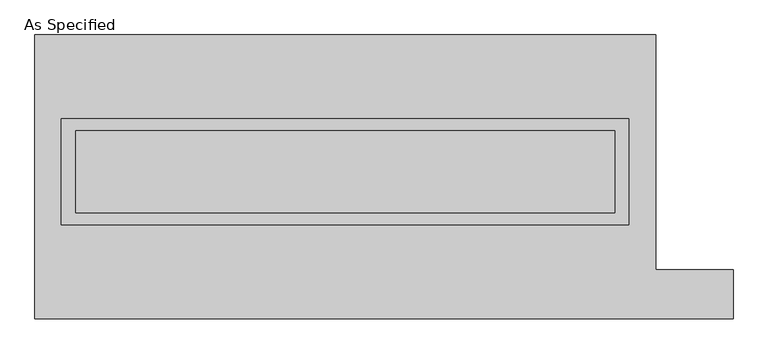
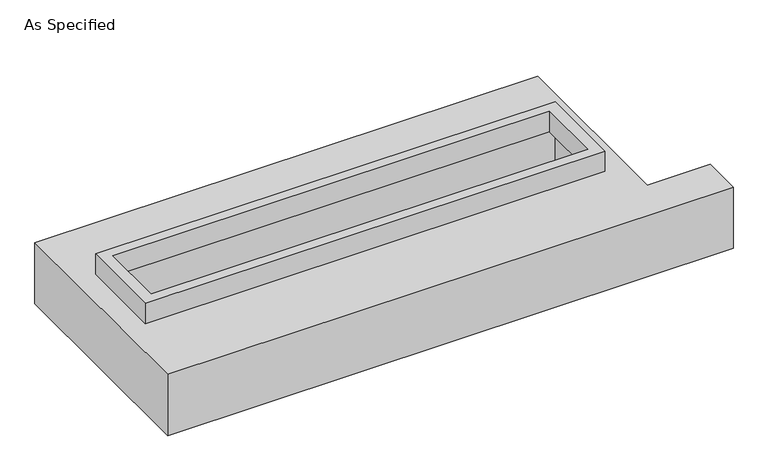
"""IFC4 building model written with IfcOpenShell, lengths in millimetres: proxy geometry, As Specified."""

from ifc_helpers import new_model, si_unit, frame, origin, place, context, project, spatial, polyline, outline, extrude, faceted_brep, source, transform, mapped, element, save


def as_specified_e90557bc(model_context):
    return source(origin(), model_context, "Body", "SolidModel", [
        extrude(outline(polyline([(1765.3, 361.95), (1765.3, -298.45), (-1765.3, -298.45), (-1765.3, 361.95), (1765.3, 361.95)]), holes=[polyline([(1676.4, 285.75), (-1676.4, 285.75), (-1676.4, -222.25), (1676.4, -222.25), (1676.4, 285.75)])]), frame((0.0, 0.0, -25.4), z_axis=(0.0, 0.0, 1.0), x_axis=(1.0, 0.0, 0.0)), (0.0, 0.0, 1.0), 165.1),
        faceted_brep([(-1930.4, 882.65, -523.875), (1930.4, 882.65, -523.875), (1930.4, -577.85, -523.875), (2413.0, -577.85, -523.875), (2413.0, -882.65, -523.875), (-1930.4, -882.65, -523.875), (1930.4, 882.65, -25.4), (-1930.4, 882.65, -25.4), (-1930.4, -882.65, -25.4), (2413.0, -882.65, -25.4), (2413.0, -577.85, -25.4), (1930.4, -577.85, -25.4), (-1765.3, -298.45, -25.4), (-1765.3, 361.95, -25.4), (1765.3, 361.95, -25.4), (1765.3, -298.45, -25.4), (1765.3, 361.95, -498.475), (-1765.3, 361.95, -498.475), (-1765.3, -298.45, -498.475), (1765.3, -298.45, -498.475)], [[[0, 1, 2, 3, 4, 5]], [[6, 7, 8, 9, 10, 11], [12, 13, 14, 15]], [[1, 0, 7, 6]], [[7, 0, 5, 8]], [[1, 6, 11, 2]], [[16, 17, 18, 19]], [[18, 17, 13, 12]], [[17, 16, 14, 13]], [[16, 19, 15, 14]], [[19, 18, 12, 15]], [[5, 4, 9, 8]], [[3, 2, 11, 10]], [[4, 3, 10, 9]]]),
    ])


if __name__ == "__main__":
    model = new_model("IFC4")
    model_context = context("Model", 3, world=origin())
    ifc_project = project(units=[si_unit("LENGTHUNIT", "METRE", prefix="MILLI")], contexts=[model_context])
    site = spatial("IfcSite", under=ifc_project)
    building = spatial("IfcBuilding", under=site)
    placement = place(None, origin())
    as_specified_shape = as_specified_e90557bc(model_context)
    element("IfcBuildingElementProxy", 1, Name="As Specified", ObjectType="As Specified", at=placement, inside=building, context=model_context, shape_type="MappedRepresentation", body=[
        mapped(as_specified_shape, transform((0.0, 0.0, 0.0), x_axis=(1.0, 0.0, 0.0), y_axis=(0.0, 1.0, 0.0), z_axis=(0.0, 0.0, 1.0))),
    ])
    save(model, "model.ifc")
